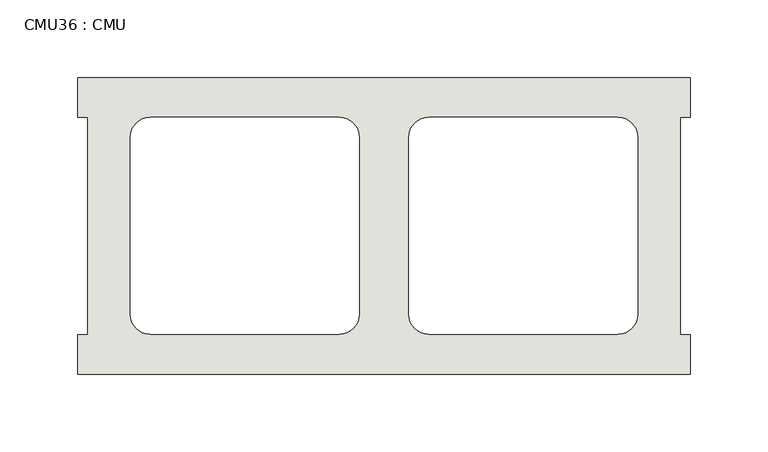
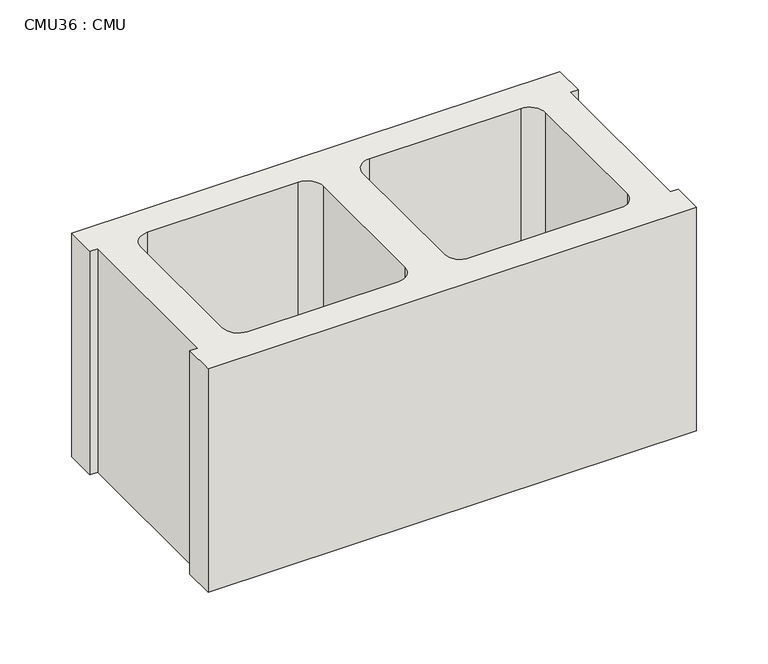
"""IFC4 building model written with IfcOpenShell, lengths in millimetres: wall geometry, CMU36 : CMU."""

from ifc_helpers import new_model, si_unit, point, frame_2d, origin, origin_with_axes, place, context, project, spatial, polyline, circle_curve, trimmed, segment, composite_curve, outline, extrude, source, transform, mapped, element, save


def cmu36_cmu_24a1d798(model_context):
    return source(origin(), model_context, "Body", "SweptSolid", [
        extrude(outline(polyline([(-647.9939032, 2871.3003704), (-254.2939032, 2871.3003704), (-254.2939032, 2845.9003704), (-260.6439032, 2845.9003704), (-260.6439032, 2706.2003704), (-254.2939032, 2706.2003704), (-254.2939032, 2680.8003704), (-647.9939032, 2680.8003704), (-647.9939032, 2706.2003704), (-641.6439032, 2706.2003704), (-641.6439032, 2845.9003704), (-647.9939032, 2845.9003704), (-647.9939032, 2871.3003704)]), holes=[composite_curve([segment(polyline([(-479.8259045, 2845.9003704), (-601.5425546, 2845.9003704)]), True, "CONTINUOUS"), segment(trimmed(circle_curve(frame_2d((-601.5425546, 2833.2003704)), 12.7), [point((-601.5425546, 2845.9003704))], [point((-614.2425546, 2833.2003704))], True, "CARTESIAN"), True, "CONTINUOUS"), segment(polyline([(-614.2425546, 2833.2003704), (-614.2425546, 2719.1345307)]), True, "CONTINUOUS"), segment(trimmed(circle_curve(frame_2d((-601.5425546, 2719.1345307)), 12.7), [point((-614.2425546, 2719.1345307))], [point((-601.5425546, 2706.4345307))], True, "CARTESIAN"), True, "CONTINUOUS"), segment(polyline([(-601.5425546, 2706.4345307), (-479.8259045, 2706.4345307)]), True, "CONTINUOUS"), segment(trimmed(circle_curve(frame_2d((-479.8259045, 2719.1345307)), 12.7), [point((-479.8259045, 2706.4345307))], [point((-467.1259045, 2719.1345307))], True, "CARTESIAN"), True, "CONTINUOUS"), segment(polyline([(-467.1259045, 2719.1345307), (-467.1259045, 2833.2003704)]), True, "CONTINUOUS"), segment(trimmed(circle_curve(frame_2d((-479.8259045, 2833.2003704)), 12.7), [point((-467.1259045, 2833.2003704))], [point((-479.8259045, 2845.9003704))], True, "CARTESIAN"), True, "CONTINUOUS")], self_intersect=False), composite_curve([segment(trimmed(circle_curve(frame_2d((-422.4619018, 2833.2003704)), 12.7), [point((-422.4619018, 2845.9003704))], [point((-435.1619018, 2833.2003704))], True, "CARTESIAN"), True, "CONTINUOUS"), segment(polyline([(-435.1619018, 2833.2003704), (-435.1619018, 2719.1345307)]), True, "CONTINUOUS"), segment(trimmed(circle_curve(frame_2d((-422.4619018, 2719.1345307)), 12.7), [point((-435.1619018, 2719.1345307))], [point((-422.4619018, 2706.4345307))], True, "CARTESIAN"), True, "CONTINUOUS"), segment(polyline([(-422.4619018, 2706.4345307), (-300.7452517, 2706.4345307)]), True, "CONTINUOUS"), segment(trimmed(circle_curve(frame_2d((-300.7452517, 2719.1345307)), 12.7), [point((-300.7452517, 2706.4345307))], [point((-288.0452517, 2719.1345307))], True, "CARTESIAN"), True, "CONTINUOUS"), segment(polyline([(-288.0452517, 2719.1345307), (-288.0452517, 2833.2003704)]), True, "CONTINUOUS"), segment(trimmed(circle_curve(frame_2d((-300.7452517, 2833.2003704)), 12.7), [point((-288.0452517, 2833.2003704))], [point((-300.7452517, 2845.9003704))], True, "CARTESIAN"), True, "CONTINUOUS"), segment(polyline([(-300.7452517, 2845.9003704), (-422.4619018, 2845.9003704)]), True, "CONTINUOUS")], self_intersect=False)]), origin_with_axes(), (0.0, 0.0, 1.0), 190.5),
    ])


if __name__ == "__main__":
    model = new_model("IFC4")
    model_context = context("Model", 3, world=origin())
    ifc_project = project(units=[si_unit("LENGTHUNIT", "METRE", prefix="MILLI")], contexts=[model_context])
    site = spatial("IfcSite", under=ifc_project)
    building = spatial("IfcBuilding", under=site)
    placement = place(None, origin())
    cmu36_cmu_shape = cmu36_cmu_24a1d798(model_context)
    element("IfcWall", 1, ObjectType="CMU36 : CMU", at=placement, inside=building, context=model_context, shape_type="MappedRepresentation", body=[
        mapped(cmu36_cmu_shape, transform((0.0, 0.0, 0.0), x_axis=(1.0, 0.0, 0.0), y_axis=(0.0, 1.0, 0.0), z_axis=(0.0, 0.0, 1.0))),
    ])
    save(model, "model.ifc")
